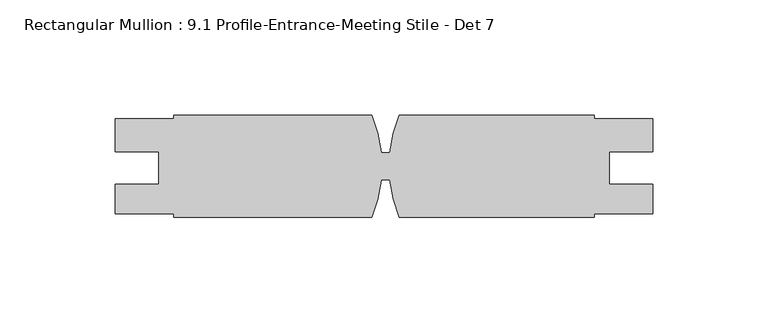
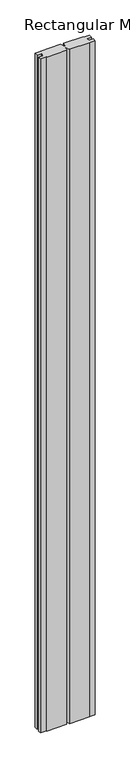
"""IFC4 building model written with IfcOpenShell, lengths in millimetres: member geometry, Rectangular Mullion : 9.1 Profile-Entrance-Meeting Stile - Det 7."""

from ifc_helpers import new_model, si_unit, point, frame, frame_2d, origin, place, context, project, spatial, polyline, circle_curve, trimmed, segment, composite_curve, outline, extrude, source, transform, mapped, element, save


def rectangular_mullion_9_1_profile_entrance_meeting_stile_det_7_c888fbaa(model_context):
    return source(origin(), model_context, "Body", "SweptSolid", [
        extrude(outline(composite_curve([segment(polyline([(-233.706752, -0.1861878), (-208.306752, -0.1861878), (-208.306752, 1.4013284), (-122.1863255, 1.4013284)]), True, "CONTINUOUS"), segment(trimmed(circle_curve(frame_2d((-176.556752, -20.8236716)), 58.7375), [point((-122.1863255, 1.4013284))], [point((-118.1362556, -14.729453))], False, "CARTESIAN"), True, "CONTINUOUS"), segment(polyline([(-118.1362556, -14.729453), (-114.344773, -14.8998536)]), True, "CONTINUOUS"), segment(trimmed(circle_curve(frame_2d((-55.906752, -20.8236716)), 58.7375), [point((-114.344773, -14.8998536))], [point((-110.2771786, 1.4013284))], False, "CARTESIAN"), True, "CONTINUOUS"), segment(polyline([(-110.2771786, 1.4013284), (-25.4, 1.4013284), (-25.4, -0.1861878), (0.0, -0.1861878), (0.0, -14.4482716), (-19.0372991, -14.4482716), (-19.0372991, -28.7357716), (0.0, -28.7357716), (0.0, -41.4484716), (-25.4, -41.4484716), (-25.4, -43.0486716), (-110.2771786, -43.0486716)]), True, "CONTINUOUS"), segment(trimmed(circle_curve(frame_2d((-55.906752, -20.8236716)), 58.7375), [point((-110.2771786, -43.0486716))], [point((-114.344402, -26.7511473))], False, "CARTESIAN"), True, "CONTINUOUS"), segment(polyline([(-114.344402, -26.7511473), (-118.1366408, -26.9215819)]), True, "CONTINUOUS"), segment(trimmed(circle_curve(frame_2d((-176.556752, -20.8236716)), 58.7375), [point((-118.1366408, -26.9215819))], [point((-122.1863255, -43.0486716))], False, "CARTESIAN"), True, "CONTINUOUS"), segment(polyline([(-122.1863255, -43.0486716), (-208.306752, -43.0486716), (-208.306752, -41.4484716), (-233.706752, -41.4484716), (-233.706752, -28.7357716), (-214.6694529, -28.7357716), (-214.6694529, -14.4482716), (-233.706752, -14.4482716), (-233.706752, -0.1861878)]), True, "CONTINUOUS")], self_intersect=False)), frame((0.0, 0.0, -3048.0), z_axis=(0.0, 0.0, 1.0), x_axis=(1.0, 0.0, 0.0)), (0.0, 0.0, 1.0), 3048.0),
    ])


if __name__ == "__main__":
    model = new_model("IFC4")
    model_context = context("Model", 3, world=origin())
    ifc_project = project(units=[si_unit("LENGTHUNIT", "METRE", prefix="MILLI")], contexts=[model_context])
    site = spatial("IfcSite", under=ifc_project)
    building = spatial("IfcBuilding", under=site)
    placement = place(None, origin())
    rectangular_mullion_9_1_profile_entrance_meeting_stile_det_7_shape = rectangular_mullion_9_1_profile_entrance_meeting_stile_det_7_c888fbaa(model_context)
    element("IfcMember", 1, ObjectType="Rectangular Mullion : 9.1 Profile-Entrance-Meeting Stile - Det 7", at=placement, inside=building, context=model_context, shape_type="MappedRepresentation", body=[
        mapped(rectangular_mullion_9_1_profile_entrance_meeting_stile_det_7_shape, transform((0.0, 0.0, 0.0), x_axis=(1.0, 0.0, 0.0), y_axis=(0.0, 1.0, 0.0), z_axis=(0.0, 0.0, 1.0))),
    ])
    save(model, "model.ifc")
